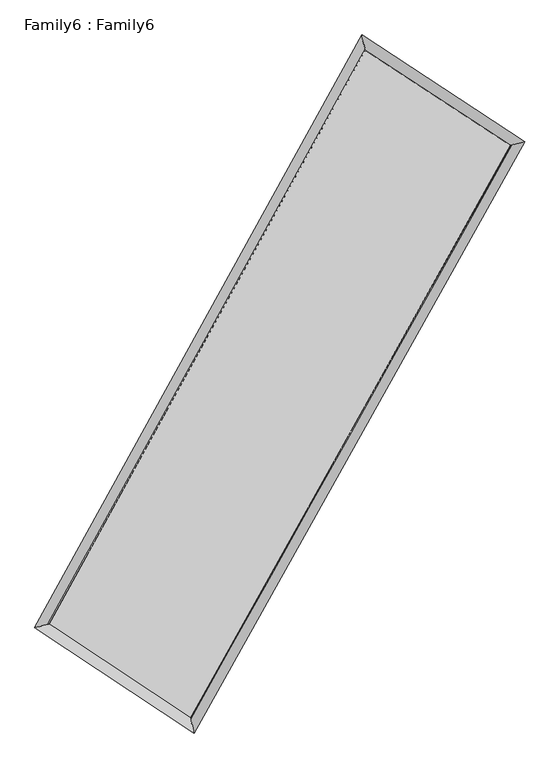
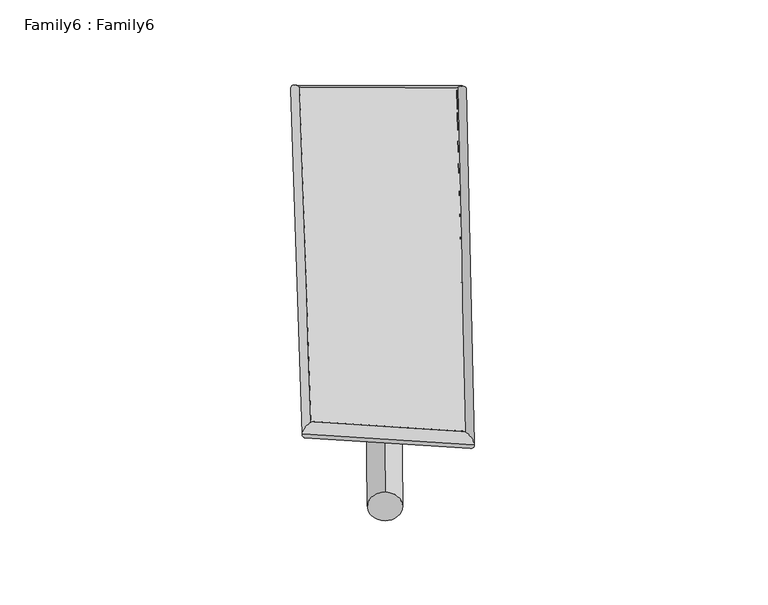
"""IFC4 building model written with IfcOpenShell, lengths in millimetres: plate geometry, Family6 : Family6."""

from ifc_helpers import new_model, si_unit, point, frame, origin, origin_2d, place, context, project, spatial, circle_curve, ellipse_curve, trimmed, segment, composite_curve, outline, extrude, source, transform, mapped, element, save
from ifc_brep_helpers import plane_surface, cylinder_surface, spline_surface, advanced_brep


def family6_family6_e8fa86a6(model_context):
    return source(origin(), model_context, "Body", "SolidModel", [
        extrude(outline(composite_curve([segment(trimmed(circle_curve(origin_2d(), 76.2), [point((-75.4341515, -10.7763073))], [point((75.4341515, 10.7763073))], False, "CARTESIAN"), True, "CONTINUOUS"), segment(trimmed(circle_curve(origin_2d(), 76.2), [point((75.4341515, 10.7763073))], [point((-75.4341515, -10.7763073))], False, "CARTESIAN"), True, "CONTINUOUS")], self_intersect=False)), frame((9144.0, 9144.0, 0.0), z_axis=(0.6689477701461842, 0.6859388180138389, 0.2863508665225677), x_axis=(-0.6792806810216365, 0.7205588495226574, -0.13918584973109194)), (0.0, 0.0, 1.0), 5475.5374592),
        extrude(outline(composite_curve([segment(trimmed(circle_curve(origin_2d(), 76.2), [point((-53.8815367, 53.8815367))], [point((53.8815367, -53.8815367))], False, "CARTESIAN"), True, "CONTINUOUS"), segment(trimmed(circle_curve(origin_2d(), 76.2), [point((53.8815367, -53.8815367))], [point((-53.8815367, 53.8815367))], False, "CARTESIAN"), True, "CONTINUOUS")], self_intersect=False)), frame((9144.0, 9144.0, 0.0), z_axis=(-0.6645772658802614, -0.6898203533819611, 0.2872019110923577), x_axis=(0.6522506920482175, -0.34802266409622656, 0.6733864120978283)), (0.0, 0.0, 1.0), 5461.5538992),
        extrude(outline(composite_curve([segment(trimmed(circle_curve(origin_2d(), 76.2), [point((-53.8815367, -53.8815367))], [point((53.8815367, 53.8815367))], False, "CARTESIAN"), True, "CONTINUOUS"), segment(trimmed(circle_curve(origin_2d(), 76.2), [point((53.8815367, 53.8815367))], [point((-53.8815367, -53.8815367))], False, "CARTESIAN"), True, "CONTINUOUS")], self_intersect=False)), frame((9144.0, 9144.0, 0.0), z_axis=(0.24075259315521497, 0.9345249067416244, 0.26210949538045697), x_axis=(-0.84439588461113, 0.33482614722787596, -0.4181949798650436)), (0.0, 0.0, 1.0), 5632.7139749),
        extrude(outline(composite_curve([segment(trimmed(circle_curve(origin_2d(), 76.2), [point((-75.4341514, 10.7763073))], [point((75.4341514, -10.7763073))], False, "CARTESIAN"), True, "CONTINUOUS"), segment(trimmed(circle_curve(origin_2d(), 76.2), [point((75.4341514, -10.7763073))], [point((-75.4341514, 10.7763073))], False, "CARTESIAN"), True, "CONTINUOUS")], self_intersect=False)), frame((9144.0, 9144.0, 0.0), z_axis=(-0.24608294993590507, -0.9331673031626193, 0.26199611840454257), x_axis=(0.8880490854591835, -0.10877039017807463, 0.4466965681932394)), (0.0, 0.0, 1.0), 5631.9564229),
        advanced_brep(
        [(5313.425444, 5327.4226677, 1562.0289592), (5313.2280977, 5327.1011887, 1577.267699), (5715.3254404, 5425.5952508, 1575.1084756), (10554.0032712, 14190.6463606, 1485.6461474), (10446.1777207, 14625.1766437, 1467.1294877), (5715.5227867, 5425.9167298, 1559.8697358), (12604.3499198, 12850.2458241, 1567.0082738), (13009.3472276, 12949.5215614, 1568.8415185), (7705.3840147, 4106.1988256, 1477.3750957), (7810.7590844, 3670.686001, 1473.726348)],
        [
            (0, 1, ellipse_curve(frame((5514.3754422, 5376.5089592, 1568.5687174), z_axis=(-0.23779289718364113, 0.9711598686672047, 0.01740826066292212), x_axis=(-0.9706750099541162, -0.23824877673254033, 0.032055349569526846)), 207.3177448, 152.4)),
            (1, 2, ellipse_curve(frame((5514.3754422, 5376.5089592, 1568.5687174), z_axis=(-0.23779289718364113, 0.9711598686672047, 0.01740826066292212), x_axis=(-0.9706750099541162, -0.23824877673254033, 0.032055349569526846)), 207.3177448, 152.4)),
            (2, 3),
            (3, 4, ellipse_curve(frame((10500.090496, 14407.9115021, 1476.3878176), z_axis=(-0.9702328661673317, -0.24151626846740126, -0.017834726639528183), x_axis=(0.24095749584288964, -0.9701101555149095, 0.028736237818509258)), 224.0662807, 152.4)),
            (4, 0),
            (2, 5, ellipse_curve(frame((5514.3754422, 5376.5089592, 1568.5687174), z_axis=(-0.23779289718364113, 0.9711598686672047, 0.01740826066292212), x_axis=(-0.9706750099541162, -0.23824877673254033, 0.032055349569526846)), 207.3177448, 152.4)),
            (5, 0, ellipse_curve(frame((5514.3754422, 5376.5089592, 1568.5687174), z_axis=(-0.23779289718364113, 0.9711598686672047, 0.01740826066292212), x_axis=(-0.9706750099541162, -0.23824877673254033, 0.032055349569526846)), 207.3177448, 152.4)),
            (4, 3, ellipse_curve(frame((10500.090496, 14407.9115021, 1476.3878176), z_axis=(-0.9702328661673317, -0.24151626846740126, -0.017834726639528183), x_axis=(0.24095749584288964, -0.9701101555149095, 0.028736237818509258)), 224.0662807, 152.4)),
            (3, 6),
            (6, 7, ellipse_curve(frame((12806.8485737, 12899.8836928, 1567.9248961), z_axis=(-0.23797485661773393, 0.9711295269899178, -0.01659546402206416), x_axis=(-0.9706785488250981, -0.23839175713212152, -0.030863003454962065)), 208.5594659, 152.4)),
            (7, 4),
            (7, 6, ellipse_curve(frame((12806.8485737, 12899.8836928, 1567.9248961), z_axis=(-0.23797485661773393, 0.9711295269899178, -0.01659546402206416), x_axis=(-0.9706785488250981, -0.23839175713212152, -0.030863003454962065)), 208.5594659, 152.4)),
            (6, 8),
            (8, 9, ellipse_curve(frame((7758.0715495, 3888.4424133, 1475.5507218), z_axis=(0.971746101176315, 0.2352777007234969, -0.018812718859734363), x_axis=(-0.23467372969136793, 0.9716220325085504, 0.02964568327254978)), 224.1074647, 152.4)),
            (9, 7),
            (9, 8, ellipse_curve(frame((7758.0715495, 3888.4424133, 1475.5507218), z_axis=(0.971746101176315, 0.2352777007234969, -0.018812718859734363), x_axis=(-0.23467372969136793, 0.9716220325085504, 0.02964568327254978)), 224.1074647, 152.4)),
            (8, 5),
            (1, 9),
        ],
        [
            cylinder_surface(frame((5514.3754422, 5376.5089592, 1568.5687174), z_axis=(-0.48327148557878036, -0.8754249444051666, 0.008935207870559455), x_axis=(-0.8745358512417079, 0.4822588859708017, -0.051121539444181095)), 152.4),
            cylinder_surface(frame((10500.090496, 14407.9115021, 1476.3878176), z_axis=(-0.8365477067533122, 0.5468875205567235, -0.03319599652208112), x_axis=(0.5477125908410924, 0.8362936219020946, -0.024977906237607244)), 152.4),
            cylinder_surface(frame((12806.8485737, 12899.8836928, 1567.9248961), z_axis=(0.48875847552182766, 0.8723733056428863, 0.008942494466463766), x_axis=(0.8724160151853912, -0.4887584755218276, -0.0023343208053751316)), 152.4),
            cylinder_surface(frame((7758.0715495, 3888.4424133, 1475.5507218), z_axis=(0.8328762680092265, -0.5523810944285955, -0.03452895458728042), x_axis=(-0.5518077329339668, -0.8335893818333565, 0.02523823228672632)), 152.4),
        ],
        [
            (0, [[1, 2, 3, 4, 5]]),
            (0, [[6, 7, -5, 8, -3]]),
            (1, [[-4, 9, 10, 11]]),
            (1, [[-8, -11, 12, -9]]),
            (2, [[-10, 13, 14, 15]]),
            (2, [[-12, -15, 16, -13]]),
            (3, [[-14, 17, -6, -2, 18]]),
            (3, [[-16, -18, -1, -7, -17]]),
        ],
    ),
        extrude(outline(composite_curve([segment(trimmed(circle_curve(origin_2d(), 304.8), [point((0.0, 304.7999999))], [point((0.0, -304.8))], False, "CARTESIAN"), True, "CONTINUOUS"), segment(trimmed(circle_curve(origin_2d(), 304.8), [point((0.0, -304.8))], [point((0.0, 304.7999999))], False, "CARTESIAN"), True, "CONTINUOUS")], self_intersect=False)), frame((11703.7369264, 13638.5778776, -0.05234), z_axis=(-0.49488599639766256, -0.8689579106418769, 1.0119130018512669e-05), x_axis=(-0.8689579106966651, 0.49488599639766256, -2.679469512595524e-06)), (0.0, 0.0, 1.0), 10344.7539231),
        advanced_brep(
        [(5514.3754422, 5376.5089592, 1568.5687174), (7758.0715495, 3888.4424133, 1475.5507218), (7758.0524184, 3888.4500568, 1627.9507204), (5514.3563111, 5376.5166027, 1720.968716), (12806.8485737, 12899.8836928, 1567.9248961), (12806.8294426, 12899.8913362, 1720.3248947), (10500.090496, 14407.9115021, 1476.3878176), (10500.0713648, 14407.9191456, 1628.7878162)],
        [
            (0, 1),
            (1, 2),
            (2, 3),
            (3, 0),
            (1, 4),
            (4, 5),
            (5, 2),
            (4, 6),
            (6, 7),
            (7, 5),
            (6, 0),
            (3, 7),
        ],
        [
            plane_surface(frame((6636.2234959, 4632.4756863, 1522.0597196), z_axis=(-0.552711471057347, -0.8333726831379988, -2.7586165894336045e-05), x_axis=(0.8328762680092263, -0.5523810944285957, -0.0345289545872804))),
            plane_surface(frame((10282.4600616, 8394.163053, 1521.737809), z_axis=(0.8724075951105095, -0.48877906054736725, 0.00013402958859884016), x_axis=(0.4887584755218279, 0.872373305642886, 0.008942494466463778))),
            plane_surface(frame((11653.4695348, 13653.8975974, 1522.1563569), z_axis=(0.547188355028855, 0.8370095001894357, 2.6710435302558858e-05), x_axis=(-0.8365477067533119, 0.5468875205567238, -0.03319599652208112))),
            plane_surface(frame((8007.2329691, 9892.2102307, 1522.4782675), z_axis=(-0.8754604639527442, 0.4832897247643222, -0.00013413751006645163), x_axis=(-0.48327148557878, -0.8754249444051666, 0.008935207870559457))),
            spline_surface(1, 1, [[(7758.0524184, 3888.4500568, 1627.9507204), (5514.3563111, 5376.5166027, 1720.968716)], [(12806.8294426, 12899.8913362, 1720.3248947), (10500.0713648, 14407.9191456, 1628.7878162)]], [2, 2], [2, 2], [0.0, 1.0], [0.0, 1.0]),
            spline_surface(1, 1, [[(10500.090496, 14407.9115021, 1476.3878176), (5514.3754422, 5376.5089592, 1568.5687174)], [(12806.8485737, 12899.8836928, 1567.9248961), (7758.0715495, 3888.4424133, 1475.5507218)]], [2, 2], [2, 2], [0.0, 1.0], [0.0, 1.0]),
        ],
        [
            (0, [[1, 2, 3, 4]]),
            (1, [[5, 6, 7, -2]]),
            (2, [[8, 9, 10, -6]]),
            (3, [[11, -4, 12, -9]]),
            (4, [[-3, -7, -10, -12]]),
            (5, [[-11, -8, -5, -1]]),
        ],
    ),
    ])


if __name__ == "__main__":
    model = new_model("IFC4")
    model_context = context("Model", 3, world=origin())
    ifc_project = project(units=[si_unit("LENGTHUNIT", "METRE", prefix="MILLI")], contexts=[model_context])
    site = spatial("IfcSite", under=ifc_project)
    building = spatial("IfcBuilding", under=site)
    placement = place(None, origin())
    family6_family6_shape = family6_family6_e8fa86a6(model_context)
    element("IfcPlate", 1, ObjectType="Family6 : Family6", at=placement, inside=building, context=model_context, shape_type="MappedRepresentation", body=[
        mapped(family6_family6_shape, transform((0.0, 0.0, 0.0), x_axis=(1.0, 0.0, 0.0), y_axis=(0.0, 1.0, 0.0), z_axis=(0.0, 0.0, 1.0))),
    ])
    save(model, "model.ifc")
